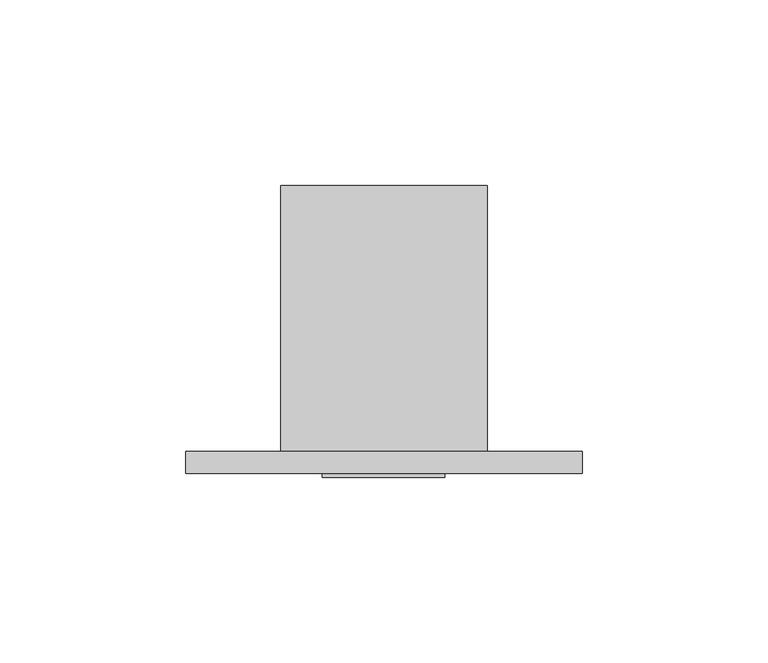
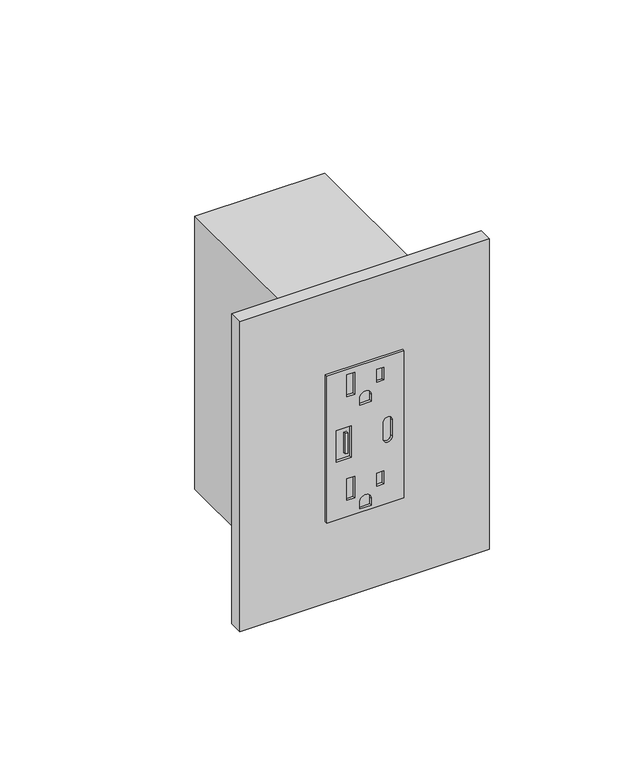
"""IFC4 building model written with IfcOpenShell, lengths in millimetres: proxy geometry."""

from ifc_helpers import new_model, si_unit, point, frame, frame_2d, origin, place, context, project, spatial, polyline, circle_curve, trimmed, segment, composite_curve, outline, extrude, source, transform, mapped, element, save


def electrical_fixtures_cc84fcd7(model_context):
    return source(origin(), model_context, "Body", "SweptSolid", [
        extrude(outline(polyline([(414.274, 44.0944), (414.274, 11.0998), (347.726, 11.0998), (347.726, 44.0944), (414.274, 44.0944)]), holes=[polyline([(411.8356, 22.9616), (402.0080649, 22.9616), (402.0080649, 19.6342), (411.8356, 19.6342), (411.8356, 22.9616)]), polyline([(409.8301324, 35.41014), (404.0135324, 35.41014), (404.0135324, 32.4358), (409.8301324, 32.4358), (409.8301324, 35.41014)]), composite_curve([segment(polyline([(396.24, 30.0609), (396.24, 25.1333), (399.3388, 25.1333)]), True, "CONTINUOUS"), segment(trimmed(circle_curve(frame_2d((399.3388, 27.5971)), 2.4638), [point((399.3388, 25.1333))], [point((399.3388, 30.0609))], True, "CARTESIAN"), True, "CONTINUOUS"), segment(polyline([(399.3388, 30.0609), (396.24, 30.0609)]), True, "CONTINUOUS")], self_intersect=False), polyline([(364.8456, 22.9616), (355.0180649, 22.9616), (355.0180649, 19.6342), (364.8456, 19.6342), (364.8456, 22.9616)]), polyline([(362.8401324, 35.41014), (357.0235324, 35.41014), (357.0235324, 32.4358), (362.8401324, 32.4358), (362.8401324, 35.41014)]), composite_curve([segment(polyline([(349.25, 30.0609), (349.25, 25.1333), (352.3488, 25.1333)]), True, "CONTINUOUS"), segment(trimmed(circle_curve(frame_2d((352.3488, 27.5971)), 2.4638), [point((352.3488, 25.1333))], [point((352.3488, 30.0609))], True, "CARTESIAN"), True, "CONTINUOUS"), segment(polyline([(352.3488, 30.0609), (349.25, 30.0609)]), True, "CONTINUOUS")], self_intersect=False), polyline([(388.0485, 21.59), (373.9515, 21.59), (373.9515, 15.0876), (388.0485, 15.0876), (388.0485, 21.59)]), composite_curve([segment(trimmed(circle_curve(frame_2d((377.2154, 37.1348)), 1.905), [point((377.2154, 39.0398))], [point((377.2154, 35.2298))], True, "CARTESIAN"), True, "CONTINUOUS"), segment(polyline([(377.2154, 35.2298), (384.7846, 35.2298)]), True, "CONTINUOUS"), segment(trimmed(circle_curve(frame_2d((384.7846, 37.1348)), 1.905), [point((384.7846, 35.2298))], [point((384.7846, 39.0398))], True, "CARTESIAN"), True, "CONTINUOUS"), segment(polyline([(384.7846, 39.0398), (377.2154, 39.0398)]), True, "CONTINUOUS")], self_intersect=False)]), frame((0.0, -6.9294746, 0.0), z_axis=(0.0, 1.0, 0.0), x_axis=(0.0, 0.0, 1.0)), (0.0, 0.0, 1.0), 1.0366746),
        extrude(outline(polyline([(20.0803959, -6.9294746), (18.9613268, -6.9294746), (18.9613268, -5.8928), (20.0803959, -5.8928), (20.0803959, -6.9294746)])), frame((0.0, 0.0, 376.2998162), z_axis=(0.0, 0.0, 1.0), x_axis=(1.0, 0.0, 0.0)), (0.0, 0.0, 1.0), 9.2470447),
        extrude(outline(polyline([(-25.6794, 0.0), (81.2292, 0.0), (81.2292, -5.8928), (-25.6794, -5.8928), (-25.6794, 0.0)])), frame((0.0, 0.0, 310.8198), z_axis=(0.0, 0.0, 1.0), x_axis=(1.0, 0.0, 0.0)), (0.0, 0.0, 1.0), 140.3604),
        extrude(outline(polyline([(55.5498, 0.0), (0.0, 0.0), (0.0, 71.7296), (55.5498, 71.7296), (55.5498, 0.0)])), frame((0.0, 0.0, 319.2526), z_axis=(0.0, 0.0, 1.0), x_axis=(1.0, 0.0, 0.0)), (0.0, 0.0, 1.0), 123.4948),
    ])


if __name__ == "__main__":
    model = new_model("IFC4")
    model_context = context("Model", 3, world=origin())
    ifc_project = project(units=[si_unit("LENGTHUNIT", "METRE", prefix="MILLI")], contexts=[model_context])
    site = spatial("IfcSite", under=ifc_project)
    building = spatial("IfcBuilding", under=site)
    placement = place(None, origin())
    electrical_fixtures_shape = electrical_fixtures_cc84fcd7(model_context)
    element("IfcBuildingElementProxy", 1, Name="Electrical Fixtures", at=placement, inside=building, context=model_context, shape_type="MappedRepresentation", body=[
        mapped(electrical_fixtures_shape, transform((0.0, 0.0, 0.0), x_axis=(1.0, 0.0, 0.0), y_axis=(0.0, 1.0, 0.0), z_axis=(0.0, 0.0, 1.0))),
    ])
    save(model, "model.ifc")
